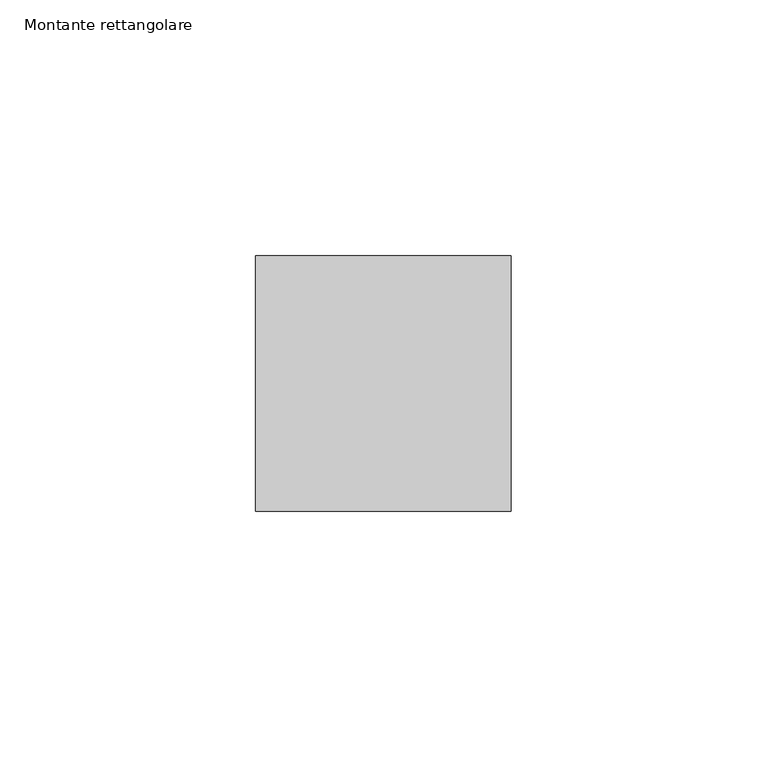
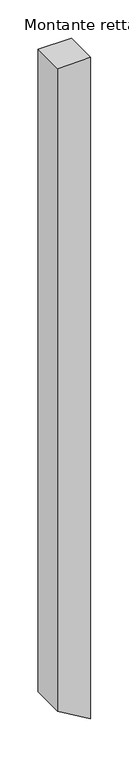
"""IFC4 building model written with IfcOpenShell, lengths in millimetres: member geometry, Montante rettangolare."""

from ifc_helpers import new_model, si_unit, frame, origin, place, context, project, spatial, polyline, outline, extrude, source, transform, mapped, element, save


def montante_rettangolare_7b21f0bf(model_context):
    return source(origin(), model_context, "Body", "SweptSolid", [
        extrude(outline(polyline([(0.0, 0.0), (0.0, -50.0), (-1020.8836034, -50.0), (-1050.3358542, 0.0), (0.0, 0.0)])), frame((0.0, -25.0, 0.0), z_axis=(0.0, 1.0, 0.0), x_axis=(0.0, 0.0, 1.0)), (0.0, 0.0, 1.0), 50.0),
    ])


if __name__ == "__main__":
    model = new_model("IFC4")
    model_context = context("Model", 3, world=origin())
    ifc_project = project(units=[si_unit("LENGTHUNIT", "METRE", prefix="MILLI")], contexts=[model_context])
    site = spatial("IfcSite", under=ifc_project)
    building = spatial("IfcBuilding", under=site)
    placement = place(None, origin())
    montante_rettangolare_shape = montante_rettangolare_7b21f0bf(model_context)
    element("IfcMember", 1, ObjectType="Montante rettangolare", at=placement, inside=building, context=model_context, shape_type="MappedRepresentation", body=[
        mapped(montante_rettangolare_shape, transform((0.0, 0.0, 0.0), x_axis=(1.0, 0.0, 0.0), y_axis=(0.0, 1.0, 0.0), z_axis=(0.0, 0.0, 1.0))),
    ])
    save(model, "model.ifc")
